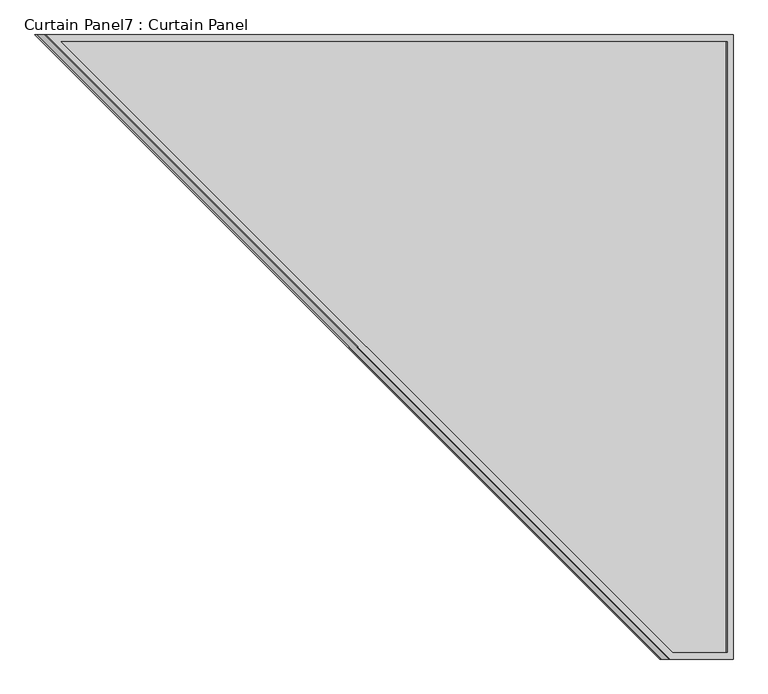
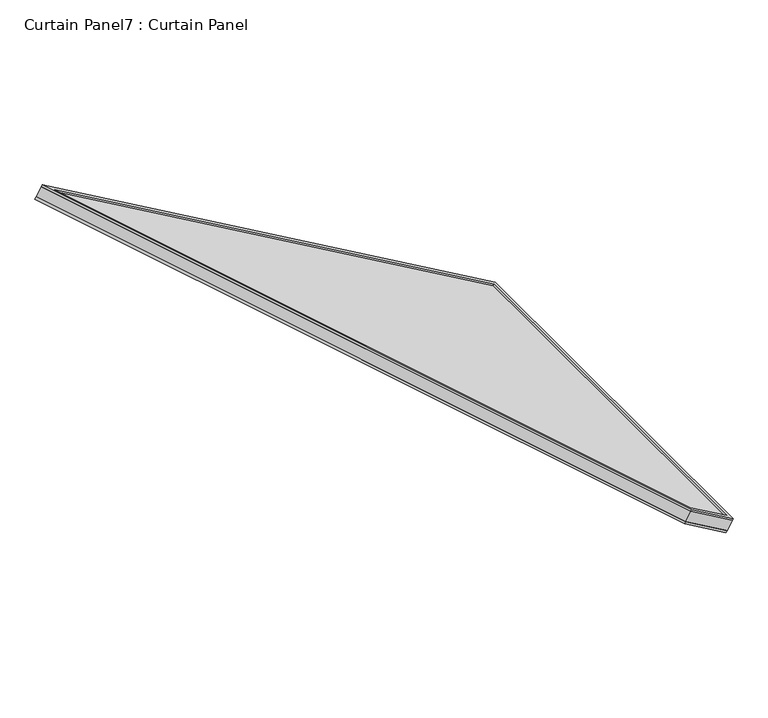
"""IFC4 building model written with IfcOpenShell, lengths in millimetres: plate geometry, Curtain Panel7 : Curtain Panel."""

from ifc_helpers import new_model, si_unit, frame, origin, place, context, project, spatial, polyline, outline, extrude, source, transform, mapped, element, save


def curtain_panel7_curtain_panel_9bbbef1a(model_context):
    return source(origin(), model_context, "Body", "SweptSolid", [
        extrude(outline(polyline([(1516.8168398, -1193.8), (1378.4815027, -1193.8), (0.0, 0.0), (1516.8168398, 0.0), (1516.8168398, -1193.8)]), holes=[polyline([(1504.1168398, -12.7), (34.0642673, -12.7), (1383.2163763, -1181.1), (1504.1168398, -1181.1), (1504.1168398, -12.7)])]), frame((-7064.448202, 7281.7537369, 1358.5302292), z_axis=(0.5000000000000019, 0.0, 0.8660254037844376), x_axis=(0.8660254037844376, 0.0, -0.5000000000000019)), (0.0, 0.0, 1.0), 4.8003678),
        extrude(outline(polyline([(1516.8168398, -1193.8), (1378.4815027, -1193.8), (0.0, 0.0), (1516.8168398, 0.0), (1516.8168398, -1193.8)]), holes=[polyline([(1504.1168398, -12.7), (34.0642674, -12.7), (1383.2163764, -1181.1), (1504.1168398, -1181.1), (1504.1168398, -12.7)])]), frame((-7082.8760181, 7281.7537369, 1326.6123155), z_axis=(0.500000000000002, 0.0, 0.8660254037844376), x_axis=(0.8660254037844376, 0.0, -0.500000000000002)), (0.0, 0.0, 1.0), 6.7312322),
        extrude(outline(polyline([(12.7, 0.0), (1206.5, 0.0), (1206.5, -138.335337), (12.7, -1516.8168398), (12.7, 0.0)])), frame((-5765.9084859, 7294.4537369, 574.0333136), z_axis=(0.5000000000000002, 0.0, 0.8660254037844386), x_axis=(0.0, -1.0, 0.0)), (0.0, 0.0, 1.0), 30.1244),
    ])


if __name__ == "__main__":
    model = new_model("IFC4")
    model_context = context("Model", 3, world=origin())
    ifc_project = project(units=[si_unit("LENGTHUNIT", "METRE", prefix="MILLI")], contexts=[model_context])
    site = spatial("IfcSite", under=ifc_project)
    building = spatial("IfcBuilding", under=site)
    placement = place(None, origin())
    curtain_panel7_curtain_panel_shape = curtain_panel7_curtain_panel_9bbbef1a(model_context)
    element("IfcPlate", 1, ObjectType="Curtain Panel7 : Curtain Panel", at=placement, inside=building, context=model_context, shape_type="MappedRepresentation", body=[
        mapped(curtain_panel7_curtain_panel_shape, transform((0.0, 0.0, 0.0), x_axis=(1.0, 0.0, 0.0), y_axis=(0.0, 1.0, 0.0), z_axis=(0.0, 0.0, 1.0))),
    ])
    save(model, "model.ifc")
